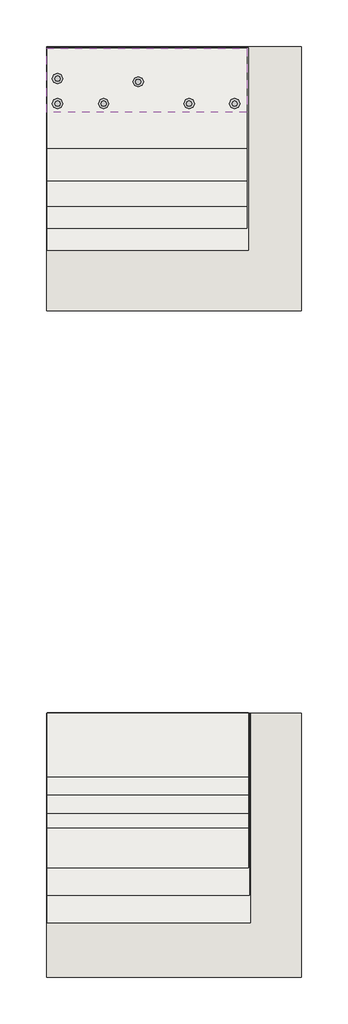
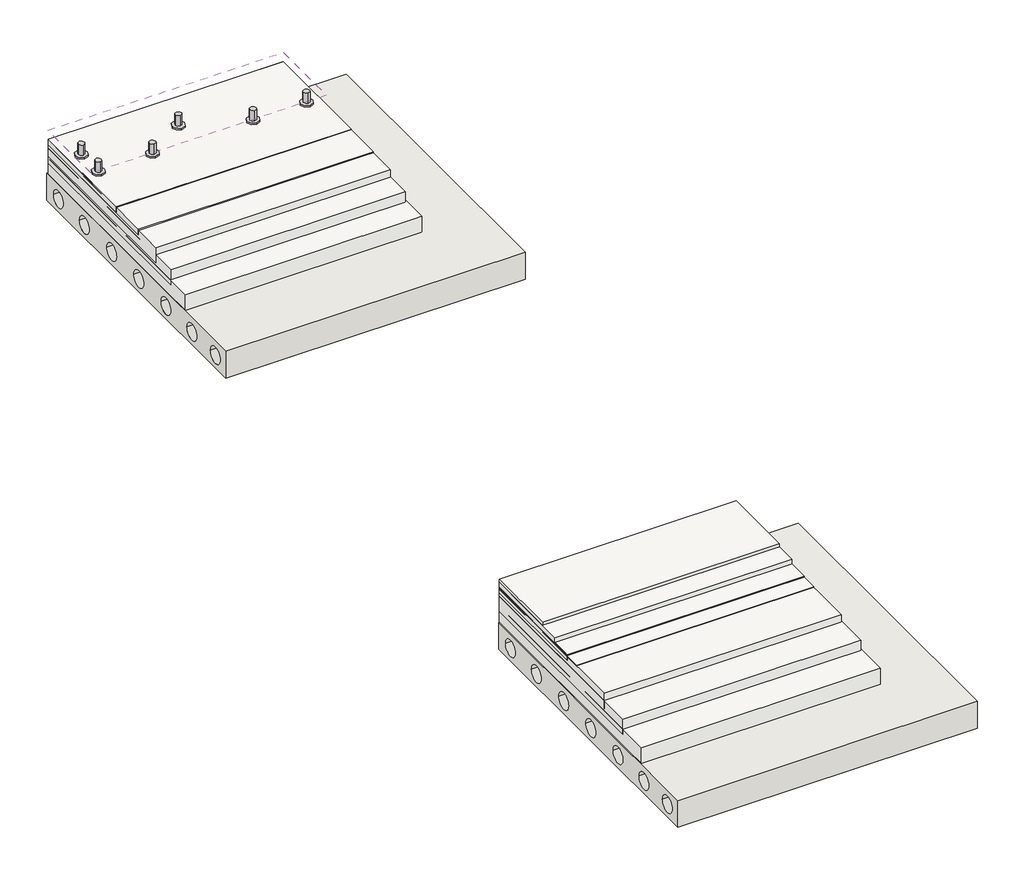
# One storey: 12 pipe segments, 8 slabs, 5 coverings, 2 walls.
"""IFC4 building model written with IfcOpenShell, lengths in millimetres."""

from ifc_helpers import new_model, si_unit, point, frame, frame_2d, origin, place, context, project, spatial, polyline, circle_curve, trimmed, segment, composite_curve, outline, extrude, element, save

model = new_model("IFC4")

# Units and contexts
model_context = context("Model", 3, world=origin())
ifc_project = project(units=[si_unit("LENGTHUNIT", "METRE", prefix="MILLI")], contexts=[model_context])

# Site, building, storey
site = spatial("IfcSite", under=ifc_project)
building = spatial("IfcBuilding", under=site)
storey = spatial("IfcBuildingStorey", under=building, Elevation=0.0)

# Coverings
placement = place(None, origin())
element("IfcCovering", 1, at=placement, inside=storey, context=model_context, shape_type="SweptSolid", body=[
    extrude(outline(polyline([(-22745.6979375, 547.9999547), (-22745.6979375, 1247.9999547), (-20545.6979375, 1247.9999547), (-20545.6979375, 547.9999547), (-22745.6979375, 547.9999547)])), frame((0.0, 0.0, 1078.307705), z_axis=(0.0, 0.0, 1.0), x_axis=(1.0, 0.0, 0.0)), (0.0, 0.0, 1.0), 57.0),
])
element("IfcCovering", 2, at=placement, inside=storey, context=model_context, shape_type="SweptSolid", body=[
    extrude(outline(polyline([(-20545.6979375, 1249.7274554), (-20545.6979375, 149.7274554), (-22738.3572666, 149.7274554), (-22738.3572666, 1249.7274554), (-20545.6979375, 1249.7274554)])), frame((0.0, 0.0, 934.2501073), z_axis=(0.0, 0.0, 1.0), x_axis=(1.0, 0.0, 0.0)), (0.0, 0.0, 1.0), 52.0),
])
element("IfcCovering", 3, at=placement, inside=storey, context=model_context, shape_type="SweptSolid", body=[
    extrude(outline(polyline([(-20545.6979375, 1253.8452129), (-20545.6979375, -206.1547871), (-22738.3572666, -206.1547871), (-22738.3572666, 1253.8452129), (-20545.6979375, 1253.8452129)])), frame((0.0, 0.0, 927.2550747), z_axis=(0.0, 0.0, 1.0), x_axis=(1.0, 0.0, 0.0)), (0.0, 0.0, 1.0), 52.0),
])
element("IfcCovering", 4, at=placement, inside=storey, context=model_context, shape_type="SweptSolid", body=[
    extrude(outline(polyline([(-22738.3572666, -6945.2307493), (-22738.3572666, -6045.2307493), (-20525.6979375, -6045.2307493), (-20525.6979375, -6945.2307493), (-22738.3572666, -6945.2307493)])), frame((0.0, 0.0, 976.2378788), z_axis=(0.0, 0.0, 1.0), x_axis=(1.0, 0.0, 0.0)), (0.0, 0.0, 1.0), 57.0),
])
element("IfcCovering", 5, at=placement, inside=storey, context=model_context, shape_type="SweptSolid", body=[
    extrude(outline(polyline([(-20525.6979375, -6047.4877887), (-20525.6979375, -7147.4877887), (-22738.3572666, -7147.4877887), (-22738.3572666, -6047.4877887), (-20525.6979375, -6047.4877887)])), frame((0.0, 0.0, 933.2675473), z_axis=(0.0, 0.0, 1.0), x_axis=(1.0, 0.0, 0.0)), (0.0, 0.0, 1.0), 52.0),
])

# Pipe segments
element("IfcPipeSegment", 6, at=placement, inside=storey, context=model_context, shape_type="SweptSolid", body=[
    extrude(outline(composite_curve([segment(trimmed(circle_curve(frame_2d((-21737.8766833, 881.0456668)), 57.15), [point((-21795.0266833, 881.0456668))], [point((-21737.8766833, 938.1956668))], False, "CARTESIAN"), True, "CONTINUOUS"), segment(trimmed(circle_curve(frame_2d((-21737.8766833, 881.0456668)), 57.15), [point((-21737.8766833, 938.1956668))], [point((-21680.7266833, 881.0456668))], False, "CARTESIAN"), True, "CONTINUOUS"), segment(trimmed(circle_curve(frame_2d((-21737.8766833, 881.0456668)), 57.15), [point((-21680.7266833, 881.0456668))], [point((-21737.8766833, 823.8956668))], False, "CARTESIAN"), True, "CONTINUOUS"), segment(trimmed(circle_curve(frame_2d((-21737.8766833, 881.0456668)), 57.15), [point((-21737.8766833, 823.8956668))], [point((-21795.0266833, 881.0456668))], False, "CARTESIAN"), True, "CONTINUOUS")], self_intersect=False)), frame((0.0, 0.0, 990.1813605), z_axis=(0.0, 0.0, 1.0), x_axis=(1.0, 0.0, 0.0)), (0.0, 0.0, 1.0), 15.0),
])
element("IfcPipeSegment", 7, at=placement, inside=storey, context=model_context, shape_type="SweptSolid", body=[
    extrude(outline(composite_curve([segment(trimmed(circle_curve(frame_2d((-21737.8766833, 881.0456668)), 30.1625), [point((-21768.0391833, 881.0456668))], [point((-21737.8766833, 911.2081668))], False, "CARTESIAN"), True, "CONTINUOUS"), segment(trimmed(circle_curve(frame_2d((-21737.8766833, 881.0456668)), 30.1625), [point((-21737.8766833, 911.2081668))], [point((-21707.7141833, 881.0456668))], False, "CARTESIAN"), True, "CONTINUOUS"), segment(trimmed(circle_curve(frame_2d((-21737.8766833, 881.0456668)), 30.1625), [point((-21707.7141833, 881.0456668))], [point((-21737.8766833, 850.8831668))], False, "CARTESIAN"), True, "CONTINUOUS"), segment(trimmed(circle_curve(frame_2d((-21737.8766833, 881.0456668)), 30.1625), [point((-21737.8766833, 850.8831668))], [point((-21768.0391833, 881.0456668))], False, "CARTESIAN"), True, "CONTINUOUS")], self_intersect=False)), frame((0.0, 0.0, 1009.5666145), z_axis=(0.0, 0.0, 1.0), x_axis=(1.0, 0.0, 0.0)), (0.0, 0.0, 1.0), 100.0),
])
element("IfcPipeSegment", 8, at=placement, inside=storey, context=model_context, shape_type="SweptSolid", body=[
    extrude(outline(composite_curve([segment(trimmed(circle_curve(frame_2d((-22624.4070388, 914.831939)), 57.15), [point((-22681.5570388, 914.831939))], [point((-22624.4070388, 971.981939))], False, "CARTESIAN"), True, "CONTINUOUS"), segment(trimmed(circle_curve(frame_2d((-22624.4070388, 914.831939)), 57.15), [point((-22624.4070388, 971.981939))], [point((-22567.2570388, 914.831939))], False, "CARTESIAN"), True, "CONTINUOUS"), segment(trimmed(circle_curve(frame_2d((-22624.4070388, 914.831939)), 57.15), [point((-22567.2570388, 914.831939))], [point((-22624.4070388, 857.681939))], False, "CARTESIAN"), True, "CONTINUOUS"), segment(trimmed(circle_curve(frame_2d((-22624.4070388, 914.831939)), 57.15), [point((-22624.4070388, 857.681939))], [point((-22681.5570388, 914.831939))], False, "CARTESIAN"), True, "CONTINUOUS")], self_intersect=False)), frame((0.0, 0.0, 990.1813605), z_axis=(0.0, 0.0, 1.0), x_axis=(1.0, 0.0, 0.0)), (0.0, 0.0, 1.0), 15.0),
])
element("IfcPipeSegment", 9, at=placement, inside=storey, context=model_context, shape_type="SweptSolid", body=[
    extrude(outline(composite_curve([segment(trimmed(circle_curve(frame_2d((-22624.4070388, 914.831939)), 30.1625), [point((-22654.5695388, 914.831939))], [point((-22624.4070388, 944.994439))], False, "CARTESIAN"), True, "CONTINUOUS"), segment(trimmed(circle_curve(frame_2d((-22624.4070388, 914.831939)), 30.1625), [point((-22624.4070388, 944.994439))], [point((-22594.2445388, 914.831939))], False, "CARTESIAN"), True, "CONTINUOUS"), segment(trimmed(circle_curve(frame_2d((-22624.4070388, 914.831939)), 30.1625), [point((-22594.2445388, 914.831939))], [point((-22624.4070388, 884.669439))], False, "CARTESIAN"), True, "CONTINUOUS"), segment(trimmed(circle_curve(frame_2d((-22624.4070388, 914.831939)), 30.1625), [point((-22624.4070388, 884.669439))], [point((-22654.5695388, 914.831939))], False, "CARTESIAN"), True, "CONTINUOUS")], self_intersect=False)), frame((0.0, 0.0, 1009.5666145), z_axis=(0.0, 0.0, 1.0), x_axis=(1.0, 0.0, 0.0)), (0.0, 0.0, 1.0), 100.0),
])
element("IfcPipeSegment", 10, at=placement, inside=storey, context=model_context, shape_type="SweptSolid", body=[
    extrude(outline(composite_curve([segment(trimmed(circle_curve(frame_2d((-22117.8766833, 641.0456668)), 57.15), [point((-22175.0266833, 641.0456668))], [point((-22117.8766833, 698.1956668))], False, "CARTESIAN"), True, "CONTINUOUS"), segment(trimmed(circle_curve(frame_2d((-22117.8766833, 641.0456668)), 57.15), [point((-22117.8766833, 698.1956668))], [point((-22060.7266833, 641.0456668))], False, "CARTESIAN"), True, "CONTINUOUS"), segment(trimmed(circle_curve(frame_2d((-22117.8766833, 641.0456668)), 57.15), [point((-22060.7266833, 641.0456668))], [point((-22117.8766833, 583.8956668))], False, "CARTESIAN"), True, "CONTINUOUS"), segment(trimmed(circle_curve(frame_2d((-22117.8766833, 641.0456668)), 57.15), [point((-22117.8766833, 583.8956668))], [point((-22175.0266833, 641.0456668))], False, "CARTESIAN"), True, "CONTINUOUS")], self_intersect=False)), frame((0.0, 0.0, 990.1813605), z_axis=(0.0, 0.0, 1.0), x_axis=(1.0, 0.0, 0.0)), (0.0, 0.0, 1.0), 15.0),
])
element("IfcPipeSegment", 11, at=placement, inside=storey, context=model_context, shape_type="SweptSolid", body=[
    extrude(outline(composite_curve([segment(trimmed(circle_curve(frame_2d((-22117.8766833, 641.0456668)), 30.1625), [point((-22148.0391833, 641.0456668))], [point((-22117.8766833, 671.2081668))], False, "CARTESIAN"), True, "CONTINUOUS"), segment(trimmed(circle_curve(frame_2d((-22117.8766833, 641.0456668)), 30.1625), [point((-22117.8766833, 671.2081668))], [point((-22087.7141833, 641.0456668))], False, "CARTESIAN"), True, "CONTINUOUS"), segment(trimmed(circle_curve(frame_2d((-22117.8766833, 641.0456668)), 30.1625), [point((-22087.7141833, 641.0456668))], [point((-22117.8766833, 610.8831668))], False, "CARTESIAN"), True, "CONTINUOUS"), segment(trimmed(circle_curve(frame_2d((-22117.8766833, 641.0456668)), 30.1625), [point((-22117.8766833, 610.8831668))], [point((-22148.0391833, 641.0456668))], False, "CARTESIAN"), True, "CONTINUOUS")], self_intersect=False)), frame((0.0, 0.0, 1009.5666145), z_axis=(0.0, 0.0, 1.0), x_axis=(1.0, 0.0, 0.0)), (0.0, 0.0, 1.0), 100.0),
])
element("IfcPipeSegment", 12, at=placement, inside=storey, context=model_context, shape_type="SweptSolid", body=[
    extrude(outline(composite_curve([segment(trimmed(circle_curve(frame_2d((-22624.4070388, 641.0456668)), 57.15), [point((-22681.5570388, 641.0456668))], [point((-22624.4070388, 698.1956668))], False, "CARTESIAN"), True, "CONTINUOUS"), segment(trimmed(circle_curve(frame_2d((-22624.4070388, 641.0456668)), 57.15), [point((-22624.4070388, 698.1956668))], [point((-22567.2570388, 641.0456668))], False, "CARTESIAN"), True, "CONTINUOUS"), segment(trimmed(circle_curve(frame_2d((-22624.4070388, 641.0456668)), 57.15), [point((-22567.2570388, 641.0456668))], [point((-22624.4070388, 583.8956668))], False, "CARTESIAN"), True, "CONTINUOUS"), segment(trimmed(circle_curve(frame_2d((-22624.4070388, 641.0456668)), 57.15), [point((-22624.4070388, 583.8956668))], [point((-22681.5570388, 641.0456668))], False, "CARTESIAN"), True, "CONTINUOUS")], self_intersect=False)), frame((0.0, 0.0, 990.1813605), z_axis=(0.0, 0.0, 1.0), x_axis=(1.0, 0.0, 0.0)), (0.0, 0.0, 1.0), 15.0),
])
element("IfcPipeSegment", 13, at=placement, inside=storey, context=model_context, shape_type="SweptSolid", body=[
    extrude(outline(composite_curve([segment(trimmed(circle_curve(frame_2d((-22624.4070388, 641.0456668)), 30.1625), [point((-22654.5695388, 641.0456668))], [point((-22624.4070388, 671.2081668))], False, "CARTESIAN"), True, "CONTINUOUS"), segment(trimmed(circle_curve(frame_2d((-22624.4070388, 641.0456668)), 30.1625), [point((-22624.4070388, 671.2081668))], [point((-22594.2445388, 641.0456668))], False, "CARTESIAN"), True, "CONTINUOUS"), segment(trimmed(circle_curve(frame_2d((-22624.4070388, 641.0456668)), 30.1625), [point((-22594.2445388, 641.0456668))], [point((-22624.4070388, 610.8831668))], False, "CARTESIAN"), True, "CONTINUOUS"), segment(trimmed(circle_curve(frame_2d((-22624.4070388, 641.0456668)), 30.1625), [point((-22624.4070388, 610.8831668))], [point((-22654.5695388, 641.0456668))], False, "CARTESIAN"), True, "CONTINUOUS")], self_intersect=False)), frame((0.0, 0.0, 1009.5666145), z_axis=(0.0, 0.0, 1.0), x_axis=(1.0, 0.0, 0.0)), (0.0, 0.0, 1.0), 100.0),
])
element("IfcPipeSegment", 14, at=placement, inside=storey, context=model_context, shape_type="SweptSolid", body=[
    extrude(outline(composite_curve([segment(trimmed(circle_curve(frame_2d((-21177.8766833, 641.0456668)), 57.15), [point((-21235.0266833, 641.0456668))], [point((-21177.8766833, 698.1956668))], False, "CARTESIAN"), True, "CONTINUOUS"), segment(trimmed(circle_curve(frame_2d((-21177.8766833, 641.0456668)), 57.15), [point((-21177.8766833, 698.1956668))], [point((-21120.7266833, 641.0456668))], False, "CARTESIAN"), True, "CONTINUOUS"), segment(trimmed(circle_curve(frame_2d((-21177.8766833, 641.0456668)), 57.15), [point((-21120.7266833, 641.0456668))], [point((-21177.8766833, 583.8956668))], False, "CARTESIAN"), True, "CONTINUOUS"), segment(trimmed(circle_curve(frame_2d((-21177.8766833, 641.0456668)), 57.15), [point((-21177.8766833, 583.8956668))], [point((-21235.0266833, 641.0456668))], False, "CARTESIAN"), True, "CONTINUOUS")], self_intersect=False)), frame((0.0, 0.0, 990.1813605), z_axis=(0.0, 0.0, 1.0), x_axis=(1.0, 0.0, 0.0)), (0.0, 0.0, 1.0), 15.0),
])
element("IfcPipeSegment", 15, at=placement, inside=storey, context=model_context, shape_type="SweptSolid", body=[
    extrude(outline(composite_curve([segment(trimmed(circle_curve(frame_2d((-21177.8766833, 641.0456668)), 30.1625), [point((-21208.0391833, 641.0456668))], [point((-21177.8766833, 671.2081668))], False, "CARTESIAN"), True, "CONTINUOUS"), segment(trimmed(circle_curve(frame_2d((-21177.8766833, 641.0456668)), 30.1625), [point((-21177.8766833, 671.2081668))], [point((-21147.7141833, 641.0456668))], False, "CARTESIAN"), True, "CONTINUOUS"), segment(trimmed(circle_curve(frame_2d((-21177.8766833, 641.0456668)), 30.1625), [point((-21147.7141833, 641.0456668))], [point((-21177.8766833, 610.8831668))], False, "CARTESIAN"), True, "CONTINUOUS"), segment(trimmed(circle_curve(frame_2d((-21177.8766833, 641.0456668)), 30.1625), [point((-21177.8766833, 610.8831668))], [point((-21208.0391833, 641.0456668))], False, "CARTESIAN"), True, "CONTINUOUS")], self_intersect=False)), frame((0.0, 0.0, 1009.5666145), z_axis=(0.0, 0.0, 1.0), x_axis=(1.0, 0.0, 0.0)), (0.0, 0.0, 1.0), 100.0),
])
element("IfcPipeSegment", 16, at=placement, inside=storey, context=model_context, shape_type="SweptSolid", body=[
    extrude(outline(composite_curve([segment(trimmed(circle_curve(frame_2d((-20677.8766833, 641.0456668)), 57.15), [point((-20735.0266833, 641.0456668))], [point((-20677.8766833, 698.1956668))], False, "CARTESIAN"), True, "CONTINUOUS"), segment(trimmed(circle_curve(frame_2d((-20677.8766833, 641.0456668)), 57.15), [point((-20677.8766833, 698.1956668))], [point((-20620.7266833, 641.0456668))], False, "CARTESIAN"), True, "CONTINUOUS"), segment(trimmed(circle_curve(frame_2d((-20677.8766833, 641.0456668)), 57.15), [point((-20620.7266833, 641.0456668))], [point((-20677.8766833, 583.8956668))], False, "CARTESIAN"), True, "CONTINUOUS"), segment(trimmed(circle_curve(frame_2d((-20677.8766833, 641.0456668)), 57.15), [point((-20677.8766833, 583.8956668))], [point((-20735.0266833, 641.0456668))], False, "CARTESIAN"), True, "CONTINUOUS")], self_intersect=False)), frame((0.0, 0.0, 990.1813605), z_axis=(0.0, 0.0, 1.0), x_axis=(1.0, 0.0, 0.0)), (0.0, 0.0, 1.0), 15.0),
])
element("IfcPipeSegment", 17, at=placement, inside=storey, context=model_context, shape_type="SweptSolid", body=[
    extrude(outline(composite_curve([segment(trimmed(circle_curve(frame_2d((-20677.8766833, 641.0456668)), 30.1625), [point((-20708.0391833, 641.0456668))], [point((-20677.8766833, 671.2081668))], False, "CARTESIAN"), True, "CONTINUOUS"), segment(trimmed(circle_curve(frame_2d((-20677.8766833, 641.0456668)), 30.1625), [point((-20677.8766833, 671.2081668))], [point((-20647.7141833, 641.0456668))], False, "CARTESIAN"), True, "CONTINUOUS"), segment(trimmed(circle_curve(frame_2d((-20677.8766833, 641.0456668)), 30.1625), [point((-20647.7141833, 641.0456668))], [point((-20677.8766833, 610.8831668))], False, "CARTESIAN"), True, "CONTINUOUS"), segment(trimmed(circle_curve(frame_2d((-20677.8766833, 641.0456668)), 30.1625), [point((-20677.8766833, 610.8831668))], [point((-20708.0391833, 641.0456668))], False, "CARTESIAN"), True, "CONTINUOUS")], self_intersect=False)), frame((0.0, 0.0, 1009.5666145), z_axis=(0.0, 0.0, 1.0), x_axis=(1.0, 0.0, 0.0)), (0.0, 0.0, 1.0), 100.0),
])

# Slabs
element("IfcSlab", 18, at=placement, inside=storey, context=model_context, shape_type="SweptSolid", body=[
    extrude(outline(polyline([(-22738.3572666, 1253.5005179), (-20545.6979375, 1253.5005179), (-20545.6979375, -486.4994821), (-22738.3572666, -486.4994821), (-22738.3572666, 1253.5005179)])), frame((0.0, 0.0, 817.6279929), z_axis=(0.0, 0.0, 1.0), x_axis=(1.0, 0.0, 0.0)), (0.0, 0.0, 1.0), 150.0),
])
element("IfcSlab", 19, at=placement, inside=storey, context=model_context, shape_type="SweptSolid", body=[
    extrude(outline(polyline([(-22738.3572666, 1252.2219664), (-20545.6979375, 1252.2219664), (-20545.6979375, -727.7780336), (-22738.3572666, -727.7780336), (-22738.3572666, 1252.2219664)])), frame((0.0, 0.0, 746.9427561), z_axis=(0.0, 0.0, 1.0), x_axis=(1.0, 0.0, 0.0)), (0.0, 0.0, 1.0), 150.0),
])
element("IfcSlab", 20, at=placement, inside=storey, context=model_context, shape_type="SweptSolid", body=[
    extrude(outline(polyline([(-22738.3572666, 1252.2219664), (-20528.3572666, 1252.2219664), (-20528.3572666, -967.7780336), (-22738.3572666, -967.7780336), (-22738.3572666, 1252.2219664)])), frame((0.0, 0.0, 586.9427561), z_axis=(0.0, 0.0, 1.0), x_axis=(1.0, 0.0, 0.0)), (0.0, 0.0, 1.0), 210.0),
])
element("IfcSlab", 21, at=placement, inside=storey, context=model_context, shape_type="SweptSolid", body=[
    extrude(outline(polyline([(-22738.3572666, -6046.4994821), (-20525.6979375, -6046.4994821), (-20525.6979375, -7746.4994821), (-22738.3572666, -7746.4994821), (-22738.3572666, -6046.4994821)])), frame((0.0, 0.0, 817.6279929), z_axis=(0.0, 0.0, 1.0), x_axis=(1.0, 0.0, 0.0)), (0.0, 0.0, 1.0), 150.0),
])
element("IfcSlab", 22, at=placement, inside=storey, context=model_context, shape_type="SweptSolid", body=[
    extrude(outline(polyline([(-22738.3572666, -6047.7780336), (-20515.6979375, -6047.7780336), (-20515.6979375, -8047.7780336), (-22738.3572666, -8047.7780336), (-22738.3572666, -6047.7780336)])), frame((0.0, 0.0, 746.9427561), z_axis=(0.0, 0.0, 1.0), x_axis=(1.0, 0.0, 0.0)), (0.0, 0.0, 1.0), 150.0),
])
element("IfcSlab", 23, at=placement, inside=storey, context=model_context, shape_type="SweptSolid", body=[
    extrude(outline(polyline([(-22738.3572666, -6047.7780336), (-20505.6979375, -6047.7780336), (-20505.6979375, -8347.7780336), (-22738.3572666, -8347.7780336), (-22738.3572666, -6047.7780336)])), frame((0.0, 0.0, 586.9427561), z_axis=(0.0, 0.0, 1.0), x_axis=(1.0, 0.0, 0.0)), (0.0, 0.0, 1.0), 210.0),
])
element("IfcSlab", 24, at=placement, inside=storey, context=model_context, shape_type="SweptSolid", body=[
    extrude(outline(polyline([(-22738.3572666, -6046.1547871), (-20525.6979375, -6046.1547871), (-20525.6979375, -6746.1547871), (-22738.3572666, -6746.1547871), (-22738.3572666, -6046.1547871)])), frame((0.0, 0.0, 882.4833691), z_axis=(0.0, 0.0, 1.0), x_axis=(1.0, 0.0, 0.0)), (0.0, 0.0, 1.0), 180.0),
])
element("IfcSlab", 25, at=placement, inside=storey, context=model_context, shape_type="SweptSolid", body=[
    extrude(outline(polyline([(-22738.3572666, -6602.7156804), (-20525.6979375, -6602.7156804), (-20525.6979375, -7302.7156804), (-22738.3572666, -7302.7156804), (-22738.3572666, -6602.7156804)])), frame((0.0, 0.0, 972.1974243), z_axis=(0.0, 0.0, 1.0), x_axis=(1.0, 0.0, 0.0)), (0.0, 0.0, 1.0), 6.0),
])

# Walls
element("IfcWall", 26, at=placement, inside=storey, context=model_context, shape_type="SweptSolid", body=[
    extrude(outline(polyline([(-1632.4966238, 375.6355794), (-1632.4966238, 640.0), (1267.5033762, 640.0), (1267.5033762, 375.6355794), (-1632.4966238, 375.6355794)]), holes=[composite_curve([segment(trimmed(circle_curve(frame_2d((-1465.1170158, 502.9070275)), 80.0), [point((-1385.1170158, 502.9070275))], [point((-1545.1170158, 502.9070275))], True, "CARTESIAN"), True, "CONTINUOUS"), segment(trimmed(circle_curve(frame_2d((-1465.1170158, 502.9070275)), 80.0), [point((-1545.1170158, 502.9070275))], [point((-1385.1170158, 502.9070275))], True, "CARTESIAN"), True, "CONTINUOUS")], self_intersect=False), composite_curve([segment(trimmed(circle_curve(frame_2d((-1085.1170158, 502.9070275)), 80.0), [point((-1005.1170158, 502.9070275))], [point((-1165.1170158, 502.9070275))], True, "CARTESIAN"), True, "CONTINUOUS"), segment(trimmed(circle_curve(frame_2d((-1085.1170158, 502.9070275)), 80.0), [point((-1165.1170158, 502.9070275))], [point((-1005.1170158, 502.9070275))], True, "CARTESIAN"), True, "CONTINUOUS")], self_intersect=False), composite_curve([segment(trimmed(circle_curve(frame_2d((-665.1170158, 502.9070275)), 80.0), [point((-585.1170158, 502.9070275))], [point((-745.1170158, 502.9070275))], True, "CARTESIAN"), True, "CONTINUOUS"), segment(trimmed(circle_curve(frame_2d((-665.1170158, 502.9070275)), 80.0), [point((-745.1170158, 502.9070275))], [point((-585.1170158, 502.9070275))], True, "CARTESIAN"), True, "CONTINUOUS")], self_intersect=False), composite_curve([segment(trimmed(circle_curve(frame_2d((-225.1170158, 502.9070275)), 80.0), [point((-145.1170158, 502.9070275))], [point((-305.1170158, 502.9070275))], True, "CARTESIAN"), True, "CONTINUOUS"), segment(trimmed(circle_curve(frame_2d((-225.1170158, 502.9070275)), 80.0), [point((-305.1170158, 502.9070275))], [point((-145.1170158, 502.9070275))], True, "CARTESIAN"), True, "CONTINUOUS")], self_intersect=False), composite_curve([segment(trimmed(circle_curve(frame_2d((214.8829842, 502.9070275)), 80.0), [point((294.8829842, 502.9070275))], [point((134.8829842, 502.9070275))], True, "CARTESIAN"), True, "CONTINUOUS"), segment(trimmed(circle_curve(frame_2d((214.8829842, 502.9070275)), 80.0), [point((134.8829842, 502.9070275))], [point((294.8829842, 502.9070275))], True, "CARTESIAN"), True, "CONTINUOUS")], self_intersect=False), composite_curve([segment(trimmed(circle_curve(frame_2d((654.8829842, 502.9070275)), 80.0), [point((734.8829842, 502.9070275))], [point((574.8829842, 502.9070275))], True, "CARTESIAN"), True, "CONTINUOUS"), segment(trimmed(circle_curve(frame_2d((654.8829842, 502.9070275)), 80.0), [point((574.8829842, 502.9070275))], [point((734.8829842, 502.9070275))], True, "CARTESIAN"), True, "CONTINUOUS")], self_intersect=False), composite_curve([segment(trimmed(circle_curve(frame_2d((1074.8829842, 502.9070275)), 80.0), [point((1154.8829842, 502.9070275))], [point((994.8829842, 502.9070275))], True, "CARTESIAN"), True, "CONTINUOUS"), segment(trimmed(circle_curve(frame_2d((1074.8829842, 502.9070275)), 80.0), [point((994.8829842, 502.9070275))], [point((1154.8829842, 502.9070275))], True, "CARTESIAN"), True, "CONTINUOUS")], self_intersect=False)]), frame((-22745.6979375, 0.0, 0.0), z_axis=(1.0, 0.0, 0.0), x_axis=(0.0, 1.0, 0.0)), (0.0, 0.0, 1.0), 2800.0),
])
element("IfcWall", 27, at=placement, inside=storey, context=model_context, shape_type="SweptSolid", body=[
    extrude(outline(polyline([(-8947.7780336, 375.6355794), (-8947.7780336, 640.0), (-6047.7780336, 640.0), (-6047.7780336, 375.6355794), (-8947.7780336, 375.6355794)]), holes=[composite_curve([segment(trimmed(circle_curve(frame_2d((-8780.3984256, 502.9070275)), 80.0), [point((-8700.3984256, 502.9070275))], [point((-8860.3984256, 502.9070275))], True, "CARTESIAN"), True, "CONTINUOUS"), segment(trimmed(circle_curve(frame_2d((-8780.3984256, 502.9070275)), 80.0), [point((-8860.3984256, 502.9070275))], [point((-8700.3984256, 502.9070275))], True, "CARTESIAN"), True, "CONTINUOUS")], self_intersect=False), composite_curve([segment(trimmed(circle_curve(frame_2d((-8400.3984256, 502.9070275)), 80.0), [point((-8320.3984256, 502.9070275))], [point((-8480.3984256, 502.9070275))], True, "CARTESIAN"), True, "CONTINUOUS"), segment(trimmed(circle_curve(frame_2d((-8400.3984256, 502.9070275)), 80.0), [point((-8480.3984256, 502.9070275))], [point((-8320.3984256, 502.9070275))], True, "CARTESIAN"), True, "CONTINUOUS")], self_intersect=False), composite_curve([segment(trimmed(circle_curve(frame_2d((-7980.3984256, 502.9070275)), 80.0), [point((-7900.3984256, 502.9070275))], [point((-8060.3984256, 502.9070275))], True, "CARTESIAN"), True, "CONTINUOUS"), segment(trimmed(circle_curve(frame_2d((-7980.3984256, 502.9070275)), 80.0), [point((-8060.3984256, 502.9070275))], [point((-7900.3984256, 502.9070275))], True, "CARTESIAN"), True, "CONTINUOUS")], self_intersect=False), composite_curve([segment(trimmed(circle_curve(frame_2d((-7540.3984256, 502.9070275)), 80.0), [point((-7460.3984256, 502.9070275))], [point((-7620.3984256, 502.9070275))], True, "CARTESIAN"), True, "CONTINUOUS"), segment(trimmed(circle_curve(frame_2d((-7540.3984256, 502.9070275)), 80.0), [point((-7620.3984256, 502.9070275))], [point((-7460.3984256, 502.9070275))], True, "CARTESIAN"), True, "CONTINUOUS")], self_intersect=False), composite_curve([segment(trimmed(circle_curve(frame_2d((-7100.3984256, 502.9070275)), 80.0), [point((-7020.3984256, 502.9070275))], [point((-7180.3984256, 502.9070275))], True, "CARTESIAN"), True, "CONTINUOUS"), segment(trimmed(circle_curve(frame_2d((-7100.3984256, 502.9070275)), 80.0), [point((-7180.3984256, 502.9070275))], [point((-7020.3984256, 502.9070275))], True, "CARTESIAN"), True, "CONTINUOUS")], self_intersect=False), composite_curve([segment(trimmed(circle_curve(frame_2d((-6660.3984256, 502.9070275)), 80.0), [point((-6580.3984256, 502.9070275))], [point((-6740.3984256, 502.9070275))], True, "CARTESIAN"), True, "CONTINUOUS"), segment(trimmed(circle_curve(frame_2d((-6660.3984256, 502.9070275)), 80.0), [point((-6740.3984256, 502.9070275))], [point((-6580.3984256, 502.9070275))], True, "CARTESIAN"), True, "CONTINUOUS")], self_intersect=False), composite_curve([segment(trimmed(circle_curve(frame_2d((-6240.3984256, 502.9070275)), 80.0), [point((-6160.3984256, 502.9070275))], [point((-6320.3984256, 502.9070275))], True, "CARTESIAN"), True, "CONTINUOUS"), segment(trimmed(circle_curve(frame_2d((-6240.3984256, 502.9070275)), 80.0), [point((-6320.3984256, 502.9070275))], [point((-6160.3984256, 502.9070275))], True, "CARTESIAN"), True, "CONTINUOUS")], self_intersect=False)]), frame((-22745.6979375, 0.0, 0.0), z_axis=(1.0, 0.0, 0.0), x_axis=(0.0, 1.0, 0.0)), (0.0, 0.0, 1.0), 2800.0),
])

save(model, "model.ifc")
